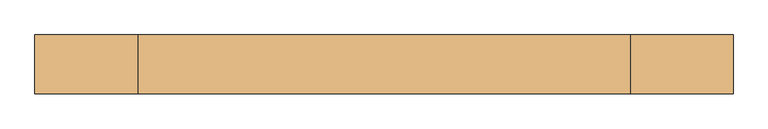
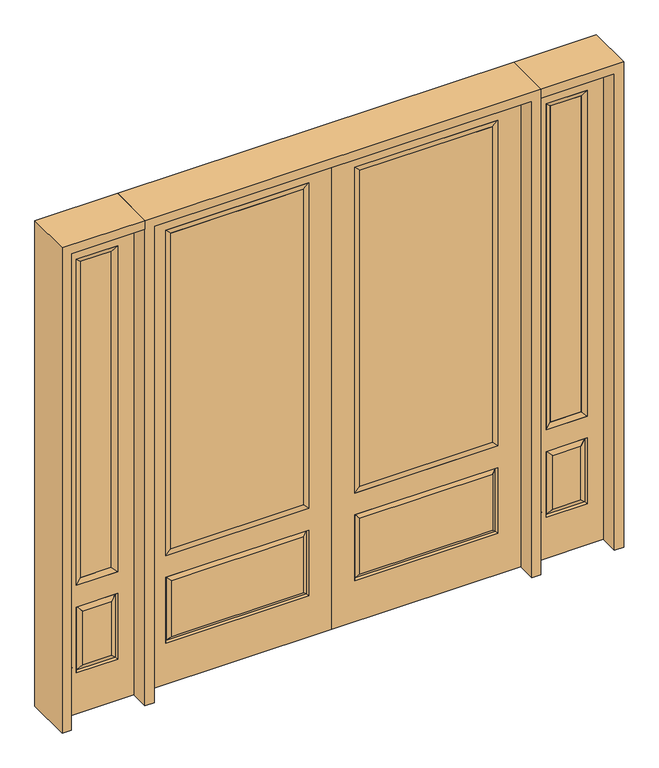
"""IFC4 building model written with IfcOpenShell, lengths in millimetres: door geometry."""

from ifc_helpers import new_model, si_unit, frame, origin, place, context, project, spatial, polyline, outline, extrude, faceted_brep, source, transform, mapped, element, save


def door_0d043ded(model_context):
    return source(origin(), model_context, "Body", "SolidModel", [
        extrude(outline(polyline([(136.525, -20.32), (136.525, 5.08), (777.875, 5.08), (777.875, -20.32), (136.525, -20.32)])), frame((0.0, 0.0, 682.498), z_axis=(0.0, 0.0, 1.0), x_axis=(1.0, 0.0, 0.0)), (0.0, 0.0, 1.0), 1616.202),
        faceted_brep([(796.1661499, -12.7912373, 216.6588501), (778.66875, -22.225, 234.15625), (135.73125, -22.225, 234.15625), (118.2338501, -12.7912373, 216.6588501), (111.125, -22.225, 209.55), (803.275, -22.225, 209.55), (803.275, -22.225, 546.1), (796.1661499, -12.7912373, 538.9911499), (0.0, -22.225, 2438.4), (0.0, -22.225, 0.0), (914.4, -22.225, 0.0), (914.4, -22.225, 2438.4), (111.125, -22.225, 546.1), (111.125, -22.225, 2324.1), (803.275, -22.225, 2324.1), (803.275, -22.225, 657.098), (111.125, -22.225, 657.098), (778.66875, -22.225, 521.49375), (135.73125, -22.225, 521.49375), (118.2338501, -12.7912373, 538.9911499), (914.4, 22.225, 0.0), (914.4, 22.225, 2438.4), (0.0, 22.225, 0.0), (0.0, 22.225, 2438.4), (111.125, 22.225, 657.098), (111.125, 22.225, 2324.1), (803.275, 22.225, 657.098), (803.275, 22.225, 2324.1), (135.73125, 22.225, 234.15625), (135.73125, 22.225, 521.49375), (778.66875, 22.225, 521.49375), (778.66875, 22.225, 234.15625), (803.275, 22.225, 209.55), (803.275, 22.225, 546.1), (111.125, 22.225, 546.1), (111.125, 22.225, 209.55), (118.2338501, 12.7912373, 216.6588501), (796.1661499, 12.7912373, 216.6588501), (118.2338501, 12.7912373, 538.9911499), (796.1661499, 12.7912373, 538.9911499)], [[[0, 1, 2, 3]], [[3, 4, 5, 0]], [[5, 6, 7, 0]], [[8, 9, 10, 11], [4, 12, 6, 5], [13, 14, 15, 16]], [[1, 17, 18, 2]], [[3, 19, 12, 4]], [[2, 18, 19, 3]], [[0, 7, 17, 1]], [[6, 12, 19, 7]], [[7, 19, 18, 17]], [[10, 20, 21, 11]], [[9, 22, 20, 10]], [[8, 23, 22, 9]], [[16, 24, 25, 13]], [[15, 26, 24, 16]], [[14, 27, 26, 15]], [[28, 29, 30, 31]], [[23, 21, 20, 22], [25, 24, 26, 27], [32, 33, 34, 35]], [[32, 35, 36, 37]], [[35, 34, 38, 36]], [[39, 38, 34, 33]], [[37, 39, 33, 32]], [[36, 28, 31, 37]], [[31, 30, 39, 37]], [[30, 29, 38, 39]], [[36, 38, 29, 28]], [[11, 21, 23, 8]], [[13, 25, 27, 14]]]),
        faceted_brep([(803.275, -22.225, 2324.1), (803.275, -22.225, 657.098), (803.275, 22.225, 657.098), (803.275, 22.225, 2324.1), (111.125, -22.225, 657.098), (111.125, 22.225, 657.098), (136.525, 5.08, 682.498), (777.875, 5.08, 682.498), (111.125, -22.225, 2324.1), (111.125, 22.225, 2324.1), (777.875, -20.32, 682.498), (136.525, -20.32, 682.498), (777.875, -20.32, 2298.7), (136.525, -20.32, 2298.7), (777.875, 5.08, 2298.7), (136.525, 5.08, 2298.7)], [[[0, 1, 2, 3]], [[1, 4, 5, 2]], [[2, 5, 6, 7]], [[4, 8, 9, 5]], [[10, 11, 4, 1]], [[12, 10, 1, 0]], [[11, 13, 8, 4]], [[7, 6, 11, 10]], [[14, 7, 10, 12]], [[6, 15, 13, 11]], [[3, 2, 7, 14]], [[5, 9, 15, 6]], [[8, 0, 3, 9]], [[13, 12, 0, 8]], [[15, 14, 12, 13]], [[9, 3, 14, 15]]]),
        faceted_brep([(958.85, -22.225, 0.0), (1314.45, -22.225, 0.0), (1314.45, -22.225, 2438.4), (958.85, -22.225, 2438.4), (1236.98, -22.225, 2325.624), (1236.98, -22.225, 657.098), (1036.32, -22.225, 657.098), (1036.32, -22.225, 2325.624), (1236.98, -22.225, 209.55), (1036.32, -22.225, 209.55), (1036.32, -22.225, 546.1), (1236.98, -22.225, 546.1), (1068.0351001, -22.225, 241.2651001), (1205.2648999, -22.225, 241.2651001), (1205.2648999, -22.225, 514.3848999), (1068.0351001, -22.225, 514.3848999), (958.85, 22.225, 0.0), (958.85, 22.225, 2438.4), (1314.45, 22.225, 2438.4), (1314.45, 22.225, 0.0), (1236.98, 22.225, 2325.624), (1036.32, 22.225, 2325.624), (1036.32, 22.225, 657.098), (1236.98, 22.225, 657.098), (1036.32, 22.225, 209.55), (1236.98, 22.225, 209.55), (1236.98, 22.225, 546.1), (1036.32, 22.225, 546.1), (1205.2648999, 22.225, 241.2651001), (1068.0351001, 22.225, 241.2651001), (1068.0351001, 22.225, 514.3848999), (1205.2648999, 22.225, 514.3848999), (1229.8711499, 12.7912373, 216.6588501), (1043.4288501, 12.7912373, 216.6588501), (1043.4288501, 12.7912373, 538.9911499), (1229.8711499, 12.7912373, 538.9911499), (1043.4288501, -12.7912373, 216.6588501), (1229.8711499, -12.7912373, 216.6588501), (1043.4288501, -12.7912373, 538.9911499), (1229.8711499, -12.7912373, 538.9911499)], [[[0, 1, 2, 3], [4, 5, 6, 7], [8, 9, 10, 11]], [[12, 13, 14, 15]], [[16, 17, 18, 19], [20, 21, 22, 23], [24, 25, 26, 27]], [[28, 29, 30, 31]], [[1, 0, 16, 19]], [[2, 1, 19, 18]], [[3, 2, 18, 17]], [[0, 3, 17, 16]], [[5, 4, 20, 23]], [[6, 5, 23, 22]], [[7, 6, 22, 21]], [[4, 7, 21, 20]], [[32, 33, 29, 28]], [[33, 32, 25, 24]], [[29, 33, 34, 30]], [[33, 24, 27, 34]], [[30, 34, 35, 31]], [[34, 27, 26, 35]], [[32, 28, 31, 35]], [[25, 32, 35, 26]], [[12, 36, 37, 13]], [[37, 36, 9, 8]], [[36, 12, 15, 38]], [[9, 36, 38, 10]], [[38, 15, 14, 39]], [[10, 38, 39, 11]], [[13, 37, 39, 14]], [[37, 8, 11, 39]]]),
        faceted_brep([(1036.32, 22.225, 2325.624), (1036.32, -22.225, 2325.624), (1236.98, -22.225, 2325.624), (1236.98, 22.225, 2325.624), (1061.72, 12.7, 2300.224), (1211.58, 12.7, 2300.224), (1061.72, -12.7, 2300.224), (1211.58, -12.7, 2300.224), (1236.98, -22.225, 657.098), (1236.98, 22.225, 657.098), (1211.58, 12.7, 682.498), (1211.58, -12.7, 682.498), (1036.32, -22.225, 657.098), (1036.32, 22.225, 657.098), (1061.72, 12.7, 682.498), (1061.72, -12.7, 682.498)], [[[0, 1, 2, 3]], [[4, 0, 3, 5]], [[6, 4, 5, 7]], [[1, 6, 7, 2]], [[3, 2, 8, 9]], [[5, 3, 9, 10]], [[7, 5, 10, 11]], [[2, 7, 11, 8]], [[9, 8, 12, 13]], [[10, 9, 13, 14]], [[11, 10, 14, 15]], [[8, 11, 15, 12]], [[13, 12, 1, 0]], [[14, 13, 0, 4]], [[15, 14, 4, 6]], [[12, 15, 6, 1]]]),
        extrude(outline(polyline([(1211.58, -12.7), (1061.72, -12.7), (1061.72, 12.7), (1211.58, 12.7), (1211.58, -12.7)])), frame((0.0, 0.0, 682.498), z_axis=(0.0, 0.0, 1.0), x_axis=(1.0, 0.0, 0.0)), (0.0, 0.0, 1.0), 1617.726),
        faceted_brep([(-1314.45, -22.225, 0.0), (-958.85, -22.225, 0.0), (-958.85, -22.225, 2438.4), (-1314.45, -22.225, 2438.4), (-1036.32, -22.225, 2325.624), (-1036.32, -22.225, 657.098), (-1236.98, -22.225, 657.098), (-1236.98, -22.225, 2325.624), (-1036.32, -22.225, 209.55), (-1236.98, -22.225, 209.55), (-1236.98, -22.225, 546.1), (-1036.32, -22.225, 546.1), (-1205.2648999, -22.225, 241.2651001), (-1068.0351001, -22.225, 241.2651001), (-1068.0351001, -22.225, 514.3848999), (-1205.2648999, -22.225, 514.3848999), (-1314.45, 22.225, 0.0), (-1314.45, 22.225, 2438.4), (-958.85, 22.225, 2438.4), (-958.85, 22.225, 0.0), (-1036.32, 22.225, 2325.624), (-1236.98, 22.225, 2325.624), (-1236.98, 22.225, 657.098), (-1036.32, 22.225, 657.098), (-1236.98, 22.225, 209.55), (-1036.32, 22.225, 209.55), (-1036.32, 22.225, 546.1), (-1236.98, 22.225, 546.1), (-1068.0351001, 22.225, 241.2651001), (-1205.2648999, 22.225, 241.2651001), (-1205.2648999, 22.225, 514.3848999), (-1068.0351001, 22.225, 514.3848999), (-1043.4288501, 12.7912373, 216.6588501), (-1229.8711499, 12.7912373, 216.6588501), (-1229.8711499, 12.7912373, 538.9911499), (-1043.4288501, 12.7912373, 538.9911499), (-1229.8711499, -12.7912373, 216.6588501), (-1043.4288501, -12.7912373, 216.6588501), (-1229.8711499, -12.7912373, 538.9911499), (-1043.4288501, -12.7912373, 538.9911499)], [[[0, 1, 2, 3], [4, 5, 6, 7], [8, 9, 10, 11]], [[12, 13, 14, 15]], [[16, 17, 18, 19], [20, 21, 22, 23], [24, 25, 26, 27]], [[28, 29, 30, 31]], [[1, 0, 16, 19]], [[2, 1, 19, 18]], [[3, 2, 18, 17]], [[0, 3, 17, 16]], [[5, 4, 20, 23]], [[6, 5, 23, 22]], [[7, 6, 22, 21]], [[4, 7, 21, 20]], [[32, 33, 29, 28]], [[33, 32, 25, 24]], [[29, 33, 34, 30]], [[33, 24, 27, 34]], [[30, 34, 35, 31]], [[34, 27, 26, 35]], [[32, 28, 31, 35]], [[25, 32, 35, 26]], [[12, 36, 37, 13]], [[37, 36, 9, 8]], [[36, 12, 15, 38]], [[9, 36, 38, 10]], [[38, 15, 14, 39]], [[10, 38, 39, 11]], [[13, 37, 39, 14]], [[37, 8, 11, 39]]]),
        faceted_brep([(-1236.98, 22.225, 2325.624), (-1236.98, -22.225, 2325.624), (-1036.32, -22.225, 2325.624), (-1036.32, 22.225, 2325.624), (-1211.58, 12.7, 2300.224), (-1061.72, 12.7, 2300.224), (-1211.58, -12.7, 2300.224), (-1061.72, -12.7, 2300.224), (-1036.32, -22.225, 657.098), (-1036.32, 22.225, 657.098), (-1061.72, 12.7, 682.498), (-1061.72, -12.7, 682.498), (-1236.98, -22.225, 657.098), (-1236.98, 22.225, 657.098), (-1211.58, 12.7, 682.498), (-1211.58, -12.7, 682.498)], [[[0, 1, 2, 3]], [[4, 0, 3, 5]], [[6, 4, 5, 7]], [[1, 6, 7, 2]], [[3, 2, 8, 9]], [[5, 3, 9, 10]], [[7, 5, 10, 11]], [[2, 7, 11, 8]], [[9, 8, 12, 13]], [[10, 9, 13, 14]], [[11, 10, 14, 15]], [[8, 11, 15, 12]], [[13, 12, 1, 0]], [[14, 13, 0, 4]], [[15, 14, 4, 6]], [[12, 15, 6, 1]]]),
        extrude(outline(polyline([(-1061.72, -12.7), (-1211.58, -12.7), (-1211.58, 12.7), (-1061.72, 12.7), (-1061.72, -12.7)])), frame((0.0, 0.0, 682.498), z_axis=(0.0, 0.0, 1.0), x_axis=(1.0, 0.0, 0.0)), (0.0, 0.0, 1.0), 1617.726),
        extrude(outline(polyline([(-136.525, -20.32), (-777.875, -20.32), (-777.875, 5.08), (-136.525, 5.08), (-136.525, -20.32)])), frame((0.0, 0.0, 682.498), z_axis=(0.0, 0.0, 1.0), x_axis=(1.0, 0.0, 0.0)), (0.0, 0.0, 1.0), 1616.202),
        faceted_brep([(-796.1661499, -12.7912373, 216.6588501), (-118.2338501, -12.7912373, 216.6588501), (-135.73125, -22.225, 234.15625), (-778.66875, -22.225, 234.15625), (-803.275, -22.225, 209.55), (-111.125, -22.225, 209.55), (-796.1661499, -12.7912373, 538.9911499), (-803.275, -22.225, 546.1), (-135.73125, -22.225, 521.49375), (-778.66875, -22.225, 521.49375), (0.0, -22.225, 2438.4), (-914.4, -22.225, 2438.4), (-914.4, -22.225, 0.0), (0.0, -22.225, 0.0), (-111.125, -22.225, 546.1), (-111.125, -22.225, 2324.1), (-111.125, -22.225, 657.098), (-803.275, -22.225, 657.098), (-803.275, -22.225, 2324.1), (-118.2338501, -12.7912373, 538.9911499), (-914.4, 22.225, 2438.4), (-914.4, 22.225, 0.0), (0.0, 22.225, 0.0), (0.0, 22.225, 2438.4), (-111.125, 22.225, 2324.1), (-111.125, 22.225, 657.098), (-803.275, 22.225, 657.098), (-803.275, 22.225, 2324.1), (-803.275, 22.225, 209.55), (-111.125, 22.225, 209.55), (-111.125, 22.225, 546.1), (-803.275, 22.225, 546.1), (-135.73125, 22.225, 234.15625), (-778.66875, 22.225, 234.15625), (-778.66875, 22.225, 521.49375), (-135.73125, 22.225, 521.49375), (-796.1661499, 12.7912373, 216.6588501), (-118.2338501, 12.7912373, 216.6588501), (-118.2338501, 12.7912373, 538.9911499), (-796.1661499, 12.7912373, 538.9911499)], [[[0, 1, 2, 3]], [[1, 0, 4, 5]], [[4, 0, 6, 7]], [[3, 2, 8, 9]], [[10, 11, 12, 13], [5, 4, 7, 14], [15, 16, 17, 18]], [[1, 5, 14, 19]], [[2, 1, 19, 8]], [[0, 3, 9, 6]], [[7, 6, 19, 14]], [[6, 9, 8, 19]], [[12, 11, 20, 21]], [[13, 12, 21, 22]], [[10, 13, 22, 23]], [[16, 15, 24, 25]], [[17, 16, 25, 26]], [[18, 17, 26, 27]], [[23, 22, 21, 20], [28, 29, 30, 31], [24, 27, 26, 25]], [[32, 33, 34, 35]], [[28, 36, 37, 29]], [[29, 37, 38, 30]], [[39, 31, 30, 38]], [[36, 28, 31, 39]], [[37, 36, 33, 32]], [[33, 36, 39, 34]], [[34, 39, 38, 35]], [[37, 32, 35, 38]], [[11, 10, 23, 20]], [[15, 18, 27, 24]]]),
        faceted_brep([(-803.275, -22.225, 2324.1), (-803.275, 22.225, 2324.1), (-803.275, 22.225, 657.098), (-803.275, -22.225, 657.098), (-111.125, 22.225, 657.098), (-111.125, -22.225, 657.098), (-777.875, 5.08, 682.498), (-136.525, 5.08, 682.498), (-111.125, 22.225, 2324.1), (-111.125, -22.225, 2324.1), (-777.875, -20.32, 682.498), (-136.525, -20.32, 682.498), (-777.875, -20.32, 2298.7), (-136.525, -20.32, 2298.7), (-777.875, 5.08, 2298.7), (-136.525, 5.08, 2298.7)], [[[0, 1, 2, 3]], [[3, 2, 4, 5]], [[2, 6, 7, 4]], [[5, 4, 8, 9]], [[10, 3, 5, 11]], [[12, 0, 3, 10]], [[11, 5, 9, 13]], [[6, 10, 11, 7]], [[14, 12, 10, 6]], [[7, 11, 13, 15]], [[1, 14, 6, 2]], [[4, 7, 15, 8]], [[9, 8, 1, 0]], [[13, 9, 0, 12]], [[15, 13, 12, 14]], [[8, 15, 14, 1]]]),
        extrude(outline(polyline([(2438.4, -958.85), (2482.85, -958.85), (2482.85, -1358.9), (0.0, -1358.9), (0.0, -1314.45), (2438.4, -1314.45), (2438.4, -958.85)])), frame((0.0, -114.3, 0.0), z_axis=(0.0, 1.0, 0.0), x_axis=(0.0, 0.0, 1.0)), (0.0, 0.0, 1.0), 228.6),
        extrude(outline(polyline([(2482.85, -958.85), (0.0, -958.85), (0.0, -914.4), (2438.4, -914.4), (2438.4, 914.4), (0.0, 914.4), (0.0, 958.85), (2482.85, 958.85), (2482.85, -958.85)])), frame((0.0, -114.3, 0.0), z_axis=(0.0, 1.0, 0.0), x_axis=(0.0, 0.0, 1.0)), (0.0, 0.0, 1.0), 228.6),
        extrude(outline(polyline([(0.0, 1314.45), (0.0, 1358.9), (2482.85, 1358.9), (2482.85, 958.85), (2438.4, 958.85), (2438.4, 1314.45), (0.0, 1314.45)])), frame((0.0, -114.3, 0.0), z_axis=(0.0, 1.0, 0.0), x_axis=(0.0, 0.0, 1.0)), (0.0, 0.0, 1.0), 228.6),
    ])


if __name__ == "__main__":
    model = new_model("IFC4")
    model_context = context("Model", 3, world=origin())
    ifc_project = project(units=[si_unit("LENGTHUNIT", "METRE", prefix="MILLI")], contexts=[model_context])
    site = spatial("IfcSite", under=ifc_project)
    building = spatial("IfcBuilding", under=site)
    placement = place(None, origin())
    door_shape = door_0d043ded(model_context)
    element("IfcDoor", 1, at=placement, inside=building, context=model_context, shape_type="MappedRepresentation", body=[
        mapped(door_shape, transform((0.0, 0.0, 0.0), x_axis=(1.0, 0.0, 0.0), y_axis=(0.0, 1.0, 0.0), z_axis=(0.0, 0.0, 1.0))),
    ])
    save(model, "model.ifc")
